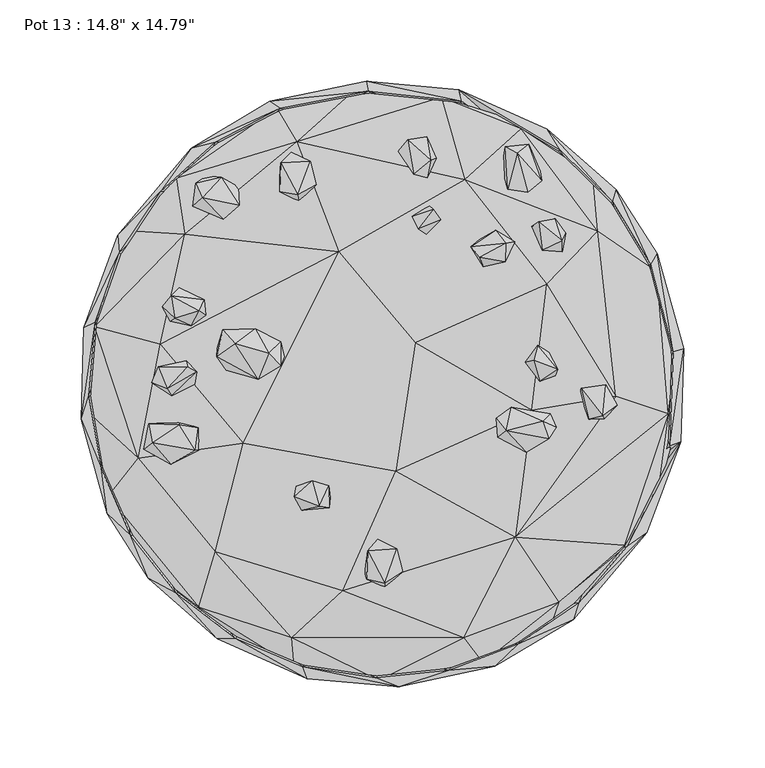
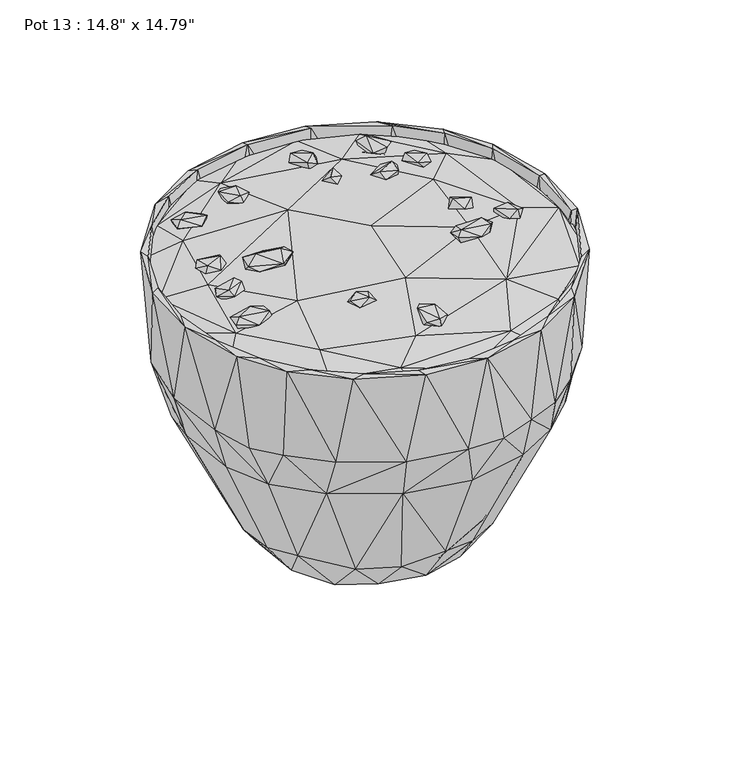
"""IFC4 building model written with IfcOpenShell, lengths in millimetres: furniture geometry."""

from ifc_helpers import new_model, si_unit, origin, place, context, project, spatial, triangles, source, transform, mapped, element, save


def furniture_42a8c2c0(model_context):
    return source(origin(), model_context, "Body", "Tessellation", [
        triangles([(-10.9198095, -116.5695744, 286.3160447), (1.5845299, -125.3364357, 285.3238632), (-9.5656509, -120.4591717, 290.5728161), (-2.7124883, -99.5087063, 285.6736238), (1.951456, -118.5737853, 282.7650259), (-8.8979602, -102.9090892, 294.3962746), (1.6335248, -122.9551131, 292.1563313), (12.5749115, -115.8503868, 288.317703), (8.939624, -101.5497427, 291.6235877), (-2.6825667, -95.8266817, 292.5227334), (-44.2969192, -62.8733016, 289.1665611), (-53.0971269, -63.1692093, 292.3950522), (-43.1162727, -59.6354315, 296.9590178), (-33.0306896, -62.8525634, 296.1117404), (-49.6416692, -77.9651993, 294.0320708), (-32.1159948, -70.0370086, 290.7316908), (-147.198437, -40.3267127, 287.849345), (-141.9966561, -36.1703031, 291.8069886), (-144.0412079, -24.5591114, 285.1305611), (-145.0178652, -40.6502486, 282.1654623), (-130.6601206, -49.661549, 287.3215974), (-141.5601366, -31.9223997, 279.1629747), (-118.4929581, -37.4378561, 281.0926171), (-113.3142135, -40.9686885, 286.0771784), (-115.5062309, -41.0372935, 291.8656514), (-125.7415436, -22.9180756, 281.7194139), (-113.6390574, -27.0460554, 287.7078565), (-125.2958223, -25.0622625, 290.2286692), (73.4080056, -33.2283974, 289.9835352), (88.6663176, -42.1149439, 296.5447263), (71.2214113, -32.9329371, 295.691944), (101.0787503, -33.9087837, 291.4119909), (83.7879816, -23.3757489, 287.067525), (80.0237673, -16.9060232, 289.1170002), (70.3940998, -21.255702, 294.3137215), (103.6162953, -18.3126926, 293.4131042), (79.469259, -14.4424733, 294.1792638), (127.3514018, -21.8960041, 288.9974944), (122.7435435, -2.5359391, 289.5924435), (121.7452305, -5.6619046, 283.5526777), (136.8725321, -21.390439, 285.7501817), (136.1787336, -19.5275553, 294.0283101), (134.7986489, -2.6710034, 282.4521635), (144.9974177, -12.9846033, 287.7494419), (137.8301953, -0.3899038, 288.7825911), (-142.32606, 0.601083, 290.2224741), (-135.7226386, 0.957191, 284.7582727), (-129.9098757, -7.2629151, 290.8336832), (-137.9093238, 9.7437503, 285.7110126), (-132.7015203, -3.0339658, 295.4481907), (-138.3713505, 10.6792752, 291.3671353), (-121.1251012, 14.2135027, 287.7357073), (-115.8899102, -0.156343, 288.7424772), (-114.6138889, 7.5059832, 292.2528916), (-120.0277209, 10.5352695, 295.6224352), (102.6129136, 19.5730626, 289.8276399), (95.959904, 23.9425293, 293.9003019), (108.168779, 9.1507734, 298.6995366), (106.8094961, 4.9601198, 291.0661363), (88.2242297, 13.4166774, 291.297354), (-83.444952, 24.5868872, 289.464181), (-72.6758238, 7.0874694, 294.0359768), (-102.0011868, 22.1376113, 290.9544788), (-60.5593304, 16.7155268, 295.166322), (-98.4264595, 33.5132478, 295.0921442), (-78.5458688, 34.1821614, 294.5623981), (-135.7146812, 47.5544057, 288.2561697), (-130.9562962, 38.7036786, 286.7407462), (-128.1560674, 40.6892905, 292.6844968), (-128.8927775, 51.5484796, 282.1083618), (-130.404295, 54.3962437, 291.3054749), (-117.8033381, 35.9314982, 287.3029757), (-109.0775717, 42.3660868, 287.5045622), (-112.8607982, 45.2983524, 294.3811047), (-113.5719376, 53.5169414, 284.804945), (-109.9307536, 52.0695734, 290.2153706), (-125.4374379, 59.2537824, 286.5133073), (27.0442363, 92.4720173, 289.690112), (18.51064, 103.5952846, 289.4911779), (29.0113083, 110.1269898, 285.8562435), (35.9581113, 101.2613155, 290.0875259), (22.2917194, 95.703061, 296.381237), (59.9526178, 88.9104433, 289.3196404), (62.1551859, 72.3496218, 293.9896315), (54.4653528, 84.7175306, 294.767164), (76.6057983, 77.718512, 291.652147), (69.9242929, 94.8135532, 293.6904129), (81.5830199, 87.8879312, 293.1702411), (104.1262115, 82.2747655, 286.1201991), (113.2399993, 92.8778519, 286.899621), (110.9588704, 81.4844794, 289.8548003), (98.8414868, 82.6090111, 292.3670198), (92.126844, 97.4440703, 287.6819315), (99.0033138, 99.7970062, 283.3507097), (110.9575623, 88.2788866, 294.3079442), (106.7851789, 101.8554017, 290.5432031), (-98.3211425, 101.5249804, 285.5431994), (-116.9485484, 109.8004472, 284.2341042), (-114.2346243, 117.2437066, 277.5700669), (-90.9138366, 109.4245163, 279.9037907), (-88.2216681, 110.270513, 287.5190962), (-111.0750424, 114.824432, 288.3560909), (31.4307214, 107.7164266, 295.8014032), (96.4660686, 100.1701757, 292.9942526), (-115.0252828, 123.9758992, 284.0682531), (-108.3552866, 128.4811021, 279.3518259), (-99.5319516, 127.6256129, 284.0076645), (-88.7824896, 121.6382694, 283.0818307), (-63.8904588, 121.2958121, 282.1077441), (-50.7014974, 118.6851157, 280.8758971), (-51.5105141, 112.7660093, 284.965691), (-55.3881526, 137.7945507, 278.3188584), (-63.1675742, 118.6102293, 287.3369126), (-62.713623, 136.5682356, 286.7299547), (-52.3130314, 116.7719966, 290.9373651), (-40.848674, 122.8790094, 286.9129741), (-44.6467388, 137.4901361, 286.056195), (77.2972713, 120.2601195, 286.8462267), (83.3417788, 142.4479639, 289.0129731), (75.8451207, 146.4348572, 284.0073738), (87.6208508, 119.2206753, 282.100677), (89.7084505, 118.4056724, 289.7887251), (73.5847345, 133.4589232, 280.9752551), (97.4988362, 131.203574, 283.283926), (82.1931389, 144.701451, 278.5956038), (98.3684052, 125.5191735, 288.3763295), (-56.191324, 143.063951, 283.9810491), (21.2160356, 129.0606724, 284.9006332), (9.8546151, 143.6980511, 286.6390991), (17.0579557, 149.4622251, 281.6533751), (27.7710565, 127.1983406, 289.3846619), (19.3616157, 129.5274953, 292.061715), (33.3888527, 139.2392481, 286.9172071), (29.7760372, 138.0672448, 293.2591165), (90.4159564, 147.8171674, 283.7207634), (15.6966448, 150.8437269, 289.9490351), (27.530671, 152.5563495, 287.9408365), (-54.4480664, -69.7455702, 297.3835559), (-38.9915699, -75.5268943, 299.5533907), (-32.9050432, -76.2969872, 294.8954992), (102.77772, -33.668966, 299.7226755), (76.4234057, -28.7760801, 299.6494786), (98.8886315, -23.1176024, 300.5647571), (107.383489, -26.6440813, 295.0933069), (-76.4529733, 2.9126106, 299.1780684), (-102.2613635, 16.7262251, 296.9759681), (-96.3987126, 8.4346829, 295.0342807), (-70.0836764, 18.958211, 303.3792655), (-90.6540142, 24.7464183, 301.2405334), (-62.6562818, 11.3245552, 301.3651988), (97.246526, 1.5418231, 294.986809), (93.5237972, 14.7336131, 298.7832343), (-62.7156487, 26.0815612, 297.5492798), (59.9933857, 78.350332, 299.7397711), (75.9707671, 75.3134489, 297.5017354), (76.1618619, 86.8967944, 299.3137615)], [[1, 2, 3], [1, 4, 5], [1, 5, 2], [1, 6, 4], [1, 3, 6], [2, 7, 3], [2, 8, 7], [2, 5, 8], [5, 4, 9], [5, 9, 8], [8, 9, 7], [4, 10, 9], [4, 6, 10], [11, 12, 13], [11, 13, 14], [11, 15, 12], [11, 16, 15], [11, 14, 16], [17, 18, 19], [17, 19, 20], [17, 20, 21], [17, 21, 18], [20, 19, 22], [20, 22, 23], [20, 23, 21], [21, 23, 24], [21, 25, 18], [21, 24, 25], [24, 26, 27], [24, 27, 25], [24, 23, 26], [19, 28, 26], [19, 18, 28], [19, 26, 22], [22, 26, 23], [28, 27, 26], [28, 25, 27], [28, 18, 25], [29, 30, 31], [29, 32, 30], [29, 33, 32], [29, 34, 33], [29, 35, 34], [29, 31, 35], [33, 34, 36], [33, 36, 32], [34, 35, 37], [34, 37, 36], [38, 39, 40], [38, 41, 42], [38, 40, 41], [38, 42, 39], [41, 40, 43], [41, 43, 44], [41, 44, 42], [44, 45, 42], [44, 43, 45], [46, 47, 48], [46, 49, 47], [46, 48, 50], [46, 50, 51], [46, 51, 49], [47, 49, 52], [47, 52, 53], [47, 53, 48], [53, 54, 48], [53, 52, 54], [40, 39, 43], [39, 45, 43], [39, 42, 45], [49, 51, 52], [52, 51, 55], [52, 55, 54], [56, 57, 58], [56, 58, 59], [56, 59, 60], [56, 60, 57], [61, 62, 63], [61, 64, 62], [61, 63, 65], [61, 65, 66], [61, 66, 64], [67, 68, 69], [67, 70, 68], [67, 69, 71], [67, 71, 70], [68, 72, 69], [68, 70, 72], [72, 73, 74], [72, 70, 75], [72, 75, 73], [72, 74, 69], [73, 76, 74], [73, 75, 76], [70, 77, 75], [70, 71, 77], [77, 76, 75], [77, 71, 76], [76, 71, 74], [78, 79, 80], [78, 80, 81], [78, 81, 82], [78, 82, 79], [83, 84, 85], [83, 86, 84], [83, 85, 87], [83, 88, 86], [83, 87, 88], [89, 90, 91], [89, 92, 93], [89, 93, 94], [89, 91, 92], [89, 94, 90], [91, 90, 95], [91, 95, 92], [90, 94, 96], [90, 96, 95], [97, 98, 99], [97, 99, 100], [97, 100, 101], [97, 102, 98], [97, 101, 102], [79, 103, 80], [79, 82, 103], [81, 103, 82], [81, 80, 103], [93, 92, 104], [93, 104, 96], [93, 96, 94], [98, 102, 105], [98, 105, 99], [99, 105, 106], [99, 106, 100], [102, 107, 105], [102, 101, 107], [100, 108, 101], [100, 106, 108], [108, 107, 101], [108, 106, 107], [109, 110, 111], [109, 112, 110], [109, 111, 113], [109, 114, 112], [109, 113, 114], [113, 111, 115], [113, 115, 114], [111, 110, 116], [111, 116, 115], [110, 112, 117], [110, 117, 116], [116, 117, 115], [118, 119, 120], [118, 121, 122], [118, 123, 121], [118, 120, 123], [118, 122, 119], [121, 124, 122], [121, 123, 125], [121, 125, 124], [122, 124, 126], [122, 126, 119], [105, 107, 106], [114, 117, 127], [114, 115, 117], [114, 127, 112], [112, 127, 117], [128, 129, 130], [128, 131, 132], [128, 133, 131], [128, 132, 129], [128, 130, 133], [131, 134, 132], [131, 133, 134], [123, 120, 125], [124, 135, 126], [124, 125, 135], [126, 135, 119], [129, 132, 136], [129, 136, 130], [136, 132, 134], [136, 134, 137], [136, 137, 130], [130, 137, 133], [137, 134, 133], [120, 135, 125], [120, 119, 135], [3, 7, 6], [7, 9, 6], [6, 9, 10], [138, 12, 15], [138, 15, 139], [138, 139, 13], [138, 13, 12], [15, 140, 139], [15, 16, 140], [139, 140, 14], [139, 14, 13], [140, 16, 14], [30, 32, 141], [30, 142, 31], [30, 141, 142], [31, 142, 35], [142, 141, 143], [142, 143, 37], [142, 37, 35], [143, 141, 144], [143, 36, 37], [143, 144, 36], [32, 36, 144], [32, 144, 141], [50, 48, 54], [50, 54, 55], [50, 55, 51], [145, 146, 147], [145, 148, 149], [145, 150, 148], [145, 149, 146], [145, 147, 62], [145, 62, 150], [151, 152, 60], [151, 59, 58], [151, 58, 152], [151, 60, 59], [146, 149, 65], [146, 63, 147], [146, 65, 63], [147, 63, 62], [62, 64, 150], [148, 150, 153], [148, 66, 149], [148, 153, 66], [150, 64, 153], [64, 66, 153], [60, 152, 57], [152, 58, 57], [65, 149, 66], [69, 74, 71], [154, 155, 156], [154, 84, 155], [154, 156, 85], [154, 85, 84], [84, 86, 155], [155, 88, 156], [155, 86, 88], [85, 156, 87], [156, 88, 87], [92, 95, 104], [95, 96, 104]]),
        triangles([(-55.892287, -156.749244, 282.8167125), (-54.46315, -174.5170366, 278.5051842), (-2.2969842, -182.7495465, 278.4962276), (50.1603467, -156.6068471, 283.2875776), (-24.3473647, -127.7601432, 286.7870007), (-113.270875, -137.8652131, 280.221522), (-103.0142336, -103.398685, 285.55975), (-103.0090467, -150.949598, 275.8465711), (-38.0250205, -175.3888221, 273.9616389), (25.5538227, -173.5501807, 273.2072155), (-56.4932223, -141.8940461, 269.676508), (61.915157, -171.9772571, 278.6587722), (89.5991367, -154.3996054, 273.8813385), (26.859105, -123.4162132, 267.3951066), (108.9615813, -134.6428353, 281.549566), (81.9311182, -94.5213744, 286.9509078), (102.7492243, -152.3220524, 277.181773), (115.348755, -110.1996871, 270.431749), (149.651703, -101.0983621, 275.0957993), (-142.9010068, -115.3802302, 276.4836506), (-150.5857394, -45.6988231, 284.047088), (-169.2805285, -69.3160588, 278.2797438), (-114.5774086, -102.0377852, 269.8650684), (-59.3924503, -83.8222546, 265.9183798), (8.2044008, -53.9447678, 289.9653314), (-85.703853, -36.4517857, 288.7515065), (8.3544257, -49.7270519, 264.2823787), (93.5007972, -72.4893798, 266.7365893), (149.1854161, -99.4314217, 280.4436015), (-166.3872276, -65.6237606, 273.8204956), (-174.4116833, -17.7610219, 273.0928329), (-93.6140443, -18.6589958, 265.7466243), (176.3777697, -18.2889102, 280.5974257), (92.3194921, -16.2025096, 288.8859459), (144.0008851, -7.6182782, 285.5495217), (149.5209334, -32.3975978, 269.6968919), (169.3655887, -71.2028168, 277.181773), (179.8696532, -31.4174887, 275.5126343), (-182.7566318, -16.5289046, 278.0008545), (73.0407815, 2.4082066, 264.8926612), (-137.1575892, 24.374843, 286.0801579), (-177.4315753, 35.295486, 279.2783747), (20.3951009, 25.3487525, 290.3091331), (-26.854218, 81.5720286, 289.081846), (-34.5174084, 54.8049669, 264.6984688), (137.1101175, 39.4512393, 268.5416027), (181.0451084, 16.2884896, 275.329506), (-168.1409723, 56.4016263, 273.7902467), (-134.0204442, 43.8220481, 268.4104152), (101.5553473, 61.5526155, 287.6672158), (132.9673562, 94.2391424, 283.2951898), (169.3248209, 69.3079243, 278.2276212), (-121.8475135, 92.4272254, 284.555905), (50.9681099, 126.0752805, 286.3184791), (38.956879, 85.0439642, 265.6281359), (166.1513409, 65.5422657, 273.7621416), (-156.6280668, 94.6707385, 277.8997343), (-123.7438276, 127.9855109, 273.62465), (-101.3527525, 105.0301897, 268.8038142), (-23.984612, 154.5664012, 270.2320882), (105.0292814, 101.3530795, 268.8038142), (-52.8244964, 149.4836173, 283.9418982), (63.8524888, 142.9361881, 270.1301322), (128.9239529, 124.5868358, 273.9198173), (129.9395523, 128.4367552, 278.5789443), (-127.1285411, 126.8189579, 280.3775445), (-100.8506392, 153.5704046, 277.181773), (-65.3566121, 165.6250103, 273.6314265), (85.6324457, 157.5209992, 280.6563611), (-65.140487, 170.2866989, 279.1480047), (36.3897074, 176.9487014, 279.6875612), (-16.4887306, 182.1585215, 277.686902), (38.083731, 175.6228013, 274.0179036), (87.7180106, 161.008577, 276.2520696)], [[1, 2, 3], [1, 3, 4], [1, 4, 5], [1, 6, 2], [1, 5, 7], [1, 7, 6], [2, 8, 9], [2, 6, 8], [2, 9, 3], [9, 10, 3], [9, 8, 11], [9, 11, 10], [3, 10, 12], [3, 12, 4], [10, 13, 12], [10, 11, 14], [10, 14, 13], [4, 12, 15], [4, 15, 16], [4, 16, 5], [12, 13, 17], [12, 17, 15], [13, 14, 18], [13, 18, 19], [13, 19, 17], [6, 20, 8], [6, 7, 21], [6, 22, 20], [6, 21, 22], [8, 20, 23], [8, 23, 11], [11, 23, 24], [11, 24, 14], [5, 16, 25], [5, 26, 7], [5, 25, 26], [14, 24, 27], [14, 28, 18], [14, 27, 28], [17, 19, 15], [15, 29, 16], [15, 19, 29], [20, 22, 30], [20, 30, 23], [23, 30, 31], [23, 31, 32], [23, 32, 24], [7, 26, 21], [16, 29, 33], [16, 34, 25], [16, 35, 34], [16, 33, 35], [18, 28, 36], [18, 36, 19], [29, 37, 33], [29, 19, 37], [19, 36, 38], [19, 38, 37], [22, 21, 39], [22, 39, 30], [30, 39, 31], [24, 32, 27], [28, 27, 40], [28, 40, 36], [37, 38, 33], [21, 26, 41], [21, 41, 42], [21, 42, 39], [26, 25, 43], [26, 43, 44], [26, 44, 41], [25, 34, 43], [27, 32, 45], [27, 45, 40], [36, 40, 46], [36, 47, 38], [36, 46, 47], [38, 47, 33], [39, 42, 31], [31, 42, 48], [31, 48, 49], [31, 49, 32], [32, 49, 45], [34, 35, 50], [34, 50, 43], [35, 33, 51], [35, 51, 50], [33, 47, 52], [33, 52, 51], [41, 44, 53], [41, 53, 42], [43, 50, 54], [43, 54, 44], [40, 45, 55], [40, 55, 46], [47, 56, 52], [47, 46, 56], [42, 57, 48], [42, 53, 57], [48, 57, 58], [48, 58, 49], [49, 59, 45], [49, 58, 59], [45, 59, 60], [45, 60, 55], [46, 55, 61], [46, 61, 56], [44, 62, 53], [44, 54, 62], [55, 63, 61], [55, 60, 63], [50, 51, 54], [56, 61, 64], [56, 64, 52], [52, 64, 65], [52, 65, 51], [57, 66, 67], [57, 67, 58], [57, 53, 66], [53, 62, 66], [59, 58, 68], [59, 68, 60], [61, 63, 64], [51, 65, 69], [51, 69, 54], [66, 62, 70], [66, 70, 67], [58, 67, 68], [62, 54, 71], [62, 72, 70], [62, 71, 72], [54, 69, 71], [63, 60, 73], [63, 73, 74], [63, 74, 64], [64, 74, 65], [65, 74, 69], [67, 70, 68], [68, 70, 72], [68, 72, 60], [60, 72, 73], [72, 71, 73], [71, 69, 74], [71, 74, 73]]),
        triangles([(-110.6477974, -143.8040766, 198.2307236), (-144.3805949, -119.9175078, 287.8247462), (-142.7241825, -111.7326603, 197.0755979), (-83.0292071, -147.7774351, 183.340735), (-117.1711729, -122.4871002, 183.3427516), (-90.897504, -156.8282181, 289.061662), (-49.0424644, -174.5064268, 289.0613713), (60.9413383, -158.1713592, 183.3428424), (41.0959109, -176.5461279, 289.0612259), (83.7104337, -160.7793032, 289.0612441), (98.3610111, -138.0475149, 183.3426425), (94.6563498, -154.3521519, 193.7577045), (120.4745777, -135.4254456, 197.0757614), (117.968081, -145.390417, 287.8250732), (69.4430451, -174.36859, 287.8263631), (121.0638858, -134.9108241, 289.0612259), (133.8458636, -103.3301663, 183.3415707), (150.4690041, -101.3973355, 198.2295791), (-169.6660791, -80.2524053, 287.8265993), (-159.9917423, -84.7775015, 193.7558151), (-143.9513605, -89.5001602, 183.3426789), (-127.0442621, -129.2954964, 289.061662), (150.8099989, -100.5667176, 289.0613713), (184.0782808, -35.5441876, 287.8502352), (160.7187328, -53.8655529, 183.3418795), (170.8143375, -60.6354477, 197.077996), (163.2147469, -91.7352436, 287.824401), (-173.8342295, -51.3450809, 197.0788136), (-161.6868423, -50.889372, 183.3433511), (-155.2065329, -93.6409867, 289.061662), (-185.9651206, -21.7177877, 287.8245645), (-180.493089, 5.9240462, 196.9398322), (-169.2628515, -9.0797839, 183.3428061), (-173.6180726, -52.1005081, 289.061662), (177.2413798, -37.9879179, 289.0614258), (169.0656615, -12.2049452, 183.3437871), (179.2670556, -25.4531793, 193.7606295), (181.1415596, 6.5012872, 197.0806485), (-184.4314024, 34.8075933, 287.8244737), (-170.815264, 60.6363561, 197.0785774), (-166.2037359, 33.2990894, 183.34475), (-181.1204853, -7.2856546, 289.0616075), (179.6130555, 19.997746, 289.061662), (166.789238, 30.2233096, 183.341716), (173.8331394, 51.3464071, 197.078541), (185.9643394, 21.7182942, 287.8245645), (-152.7008174, 73.5857473, 183.342588), (-177.2423063, 37.988036, 289.0614258), (165.7188455, 73.4496546, 289.0616983), (154.0332942, 70.752708, 183.3433874), (-163.2155099, 91.7363882, 287.824401), (-144.411952, 108.6932292, 196.9038606), (142.2459505, 112.3554148, 289.0617528), (131.5984172, 106.8366656, 183.3426425), (155.6012036, 92.9656282, 197.073109), (169.6653887, 80.2533136, 287.8265993), (-119.8402687, 119.2920826, 183.3416433), (-162.2269074, 80.8712719, 289.0614803), (117.2669519, 137.3959376, 195.9139319), (144.3797955, 119.9184252, 287.8248007), (-117.9683807, 145.3918522, 287.8251459), (-102.5498542, 149.4595999, 197.074308), (-137.0177903, 118.6757685, 289.0612441), (-103.2015677, 149.0211001, 289.0612441), (-80.2848978, 149.287481, 183.342043), (109.8373545, 144.1991198, 289.061662), (94.7223342, 140.0707108, 183.3410075), (-69.4439398, 174.3695347, 287.8263631), (-74.5652933, 164.9996851, 193.7565781), (-40.6370181, 164.5631747, 183.3419885), (-62.9001259, 170.0042489, 289.0612259), (49.0419284, 174.5072625, 289.0613713), (43.6682103, 163.7847339, 183.342479), (47.0325943, 181.4841077, 287.8502352), (75.3521911, 163.6570164, 191.7264695), (101.8019892, 157.1339952, 287.8245645), (-40.3296332, 176.7151764, 197.0789771), (1.5651584, 169.4992106, 183.3431331), (-8.6805226, 180.5150717, 289.0613349), (-9.9982621, 186.9619347, 287.8243647), (17.2445779, 179.7652446, 196.9412493), (-46.3208554, -181.880686, 287.8243102), (9.9973674, -186.96099, 287.8242738), (-4.101336, -181.2197343, 289.0613349), (-101.8025252, -157.133105, 287.8245645), (-51.213203, -76.6592652, 23.4923592), (-12.8956439, -79.820037, 14.5094194), (-58.9775456, -34.1338222, 10.9402933), (-81.8102953, -42.5035375, 23.4923592), (-7.2931646, -101.0723099, 33.4042156), (-60.0263461, -99.4428673, 59.0025759), (-24.4606731, -116.6202163, 63.4428708), (-40.2032146, -92.3388041, 18.8041892), (-30.4179789, -113.9267942, 45.7465627), (-65.3127421, -97.1733928, 44.803002), (-65.9998641, -64.3694403, 9.8291727), (3.8937329, -95.39881, 13.6630423), (-18.7450052, -72.8029599, 1.5581483), (42.7408822, -84.3828581, 12.3438834), (-71.3528985, -15.6721175, 0.4078514), (55.8481808, -45.7117265, 0.3881544), (21.4062334, -86.6590455, 20.1390846), (33.2555169, -59.1308475, 10.6879752), (7.8962443, -121.0915731, 52.4215277), (40.3211126, -110.7684659, 45.0713768), (54.4216055, -101.756843, 55.9143605), (58.539986, -70.885031, 23.2321734), (23.4093065, -116.1155959, 62.161649), (75.6090295, -57.3479258, 13.0229708), (66.6028251, -97.2598519, 45.0712723), (-102.3693056, -65.4990089, 52.7240392), (-89.1414884, -32.3169523, 12.9958932), (75.4134065, -35.9416016, 16.3799322), (-0.9814501, -16.3940189, 13.9920318), (63.89129, 17.462313, 10.7219427), (8.7539556, 15.8224706, 5.4539855), (93.6839619, -14.6239404, 12.996327), (72.3398931, 16.8010889, 0.4604854), (86.7269011, -74.4263528, 55.4998554), (114.0390058, -28.4717973, 45.2351431), (90.132598, -76.0321596, 45.7485702), (-93.6848521, 14.6250725, 12.9964371), (-113.0819875, -33.2880027, 45.0712723), (-117.5377929, -0.7818043, 45.2350296), (-92.1674937, 2.1676123, 23.4924137), (-96.0733872, -68.4553964, 61.161542), (-110.0782192, -42.4085261, 61.1569865), (-44.4932598, 55.8705314, 0.418324), (25.9853007, 69.7057834, 0.4618962), (-60.0982893, 37.3147123, 11.0109956), (113.6768458, -31.5981508, 61.6828901), (90.9451846, 6.5083804, 22.0676074), (88.8457307, 24.6123967, 9.8289013), (117.8072714, 4.1195154, 45.0716493), (-117.1649687, -13.6990843, 61.153462), (-117.3757934, 20.2692751, 63.5490098), (-68.9277059, 55.4308008, 19.3585295), (-97.1039566, 37.9599627, 37.8244377), (76.5601979, 49.517885, 22.0678777), (112.7918344, 20.167142, 56.0754108), (-106.2103503, 51.229581, 45.7490562), (-76.4266849, 57.2845348, 13.6443763), (-24.8406531, 72.3160665, 13.1500513), (41.9528489, 72.1507968, 16.5778251), (71.9791639, 61.4573361, 12.7401574), (112.4909534, 35.3618859, 45.7471577), (-61.7326509, 100.2962399, 45.4860499), (-32.1530701, 87.2838166, 11.5600173), (-88.6992189, 77.6425627, 45.0729574), (-42.8550831, 86.659536, 28.0378189), (-93.486245, 66.580311, 55.3192705), (35.652936, 85.3089553, 10.7130986), (85.1465469, 81.0303556, 45.2364467), (97.8489511, 61.3541765, 56.0832773), (76.0341308, 90.1915878, 61.1569865), (3.3497811, 90.3767964, 21.3237302), (-4.1882397, 115.5837788, 56.906978), (-54.1108232, 100.8927697, 55.9145785), (3.2847525, 117.834241, 45.0712723), (27.805686, 109.3805147, 37.6239412), (-26.1225107, 114.9498332, 45.0724669), (36.1404426, 109.4185574, 56.9714907), (59.6461276, 101.6770605, 45.0734479), (-56.2466985, -161.221064, 157.630422), (5.6335928, -169.6222046, 154.7287641), (60.9129653, -158.8740961, 154.7269292), (48.0625641, -149.6335264, 143.0249999), (89.2924058, -129.5701253, 142.5158377), (-111.6433126, -129.1949756, 157.6277696), (98.5100299, -138.7340736, 154.72702), (118.7069984, -103.2939585, 142.5086888), (140.2654663, -70.0987282, 141.2845811), (148.1964593, -89.9803907, 163.5154552), (129.9163706, -109.8769324, 154.7258391), (-144.6470939, -89.6035151, 154.7268202), (-162.3867087, -50.8162978, 154.7276922), (-170.7272607, 1.5062093, 157.8567708), (163.0619219, -47.0587328, 154.7306172), (-156.7329114, 50.6651987, 143.2834416), (169.9226586, 8.8389516, 154.7294181), (-140.2668652, 70.1001588, 141.2865341), (143.8384041, 89.0227002, 152.5987887), (162.3859457, 50.8175195, 154.7277831), (156.6664002, -16.8768167, 143.6219384), (152.187404, 34.2556534, 140.0832827), (137.3758898, 75.1726327, 141.2412789), (-135.9513674, 103.3105, 157.6277696), (-118.7072982, 103.2951939, 142.5081983), (118.931476, 100.2952589, 139.1828653), (-98.5098483, 138.7351182, 154.7257846), (-47.6395476, 162.892946, 154.7274742), (112.0055361, 127.5070609, 154.7266748), (-35.3289845, 153.3428385, 142.5206793), (-83.7653267, 132.9793468, 143.0190228), (12.2233035, 170.2959462, 157.857007), (7.0604679, 157.4402628, 143.7262743), (64.3537027, 157.5152946, 154.7323613), (61.1324922, 144.4111799, 141.3042383), (-61.1338003, -144.4095357, 141.3031937), (-7.0617198, -157.4389911, 143.7256203), (-95.6984737, -124.9377137, 142.5591399), (-137.3770525, -75.1720967, 141.242923), (-122.6909758, -102.1333644, 148.138505), (-152.1882124, -34.2544907, 140.0831192), (-156.6669271, 16.8783666, 143.6215478), (95.696448, 124.938722, 142.5575321), (-43.6687462, -163.7836438, 183.3411165), (5.6997537, -168.9954987, 183.342588), (-4.8858522, -181.1918654, 197.0788499), (-58.7413909, -170.9329712, 196.9013716), (31.1884283, -178.3588443, 193.761992), (62.1573933, -170.266751, 197.0771785)], [[1, 2, 3], [4, 5, 6], [4, 6, 7], [8, 9, 10], [8, 10, 11], [12, 13, 14], [12, 14, 15], [11, 10, 16], [11, 16, 17], [13, 18, 14], [3, 2, 19], [3, 19, 20], [5, 21, 22], [5, 22, 6], [17, 16, 23], [17, 23, 24], [17, 24, 25], [18, 26, 27], [18, 27, 14], [20, 19, 28], [21, 29, 30], [21, 30, 22], [28, 19, 31], [28, 31, 32], [29, 33, 34], [29, 34, 30], [25, 35, 36], [25, 24, 35], [26, 37, 24], [26, 24, 27], [37, 38, 24], [32, 31, 39], [32, 39, 40], [33, 41, 42], [33, 42, 34], [36, 35, 43], [36, 43, 44], [38, 45, 46], [38, 46, 24], [41, 47, 48], [41, 48, 42], [44, 43, 49], [44, 49, 50], [40, 39, 51], [40, 51, 52], [50, 49, 53], [50, 53, 54], [45, 55, 56], [45, 56, 46], [47, 57, 58], [47, 58, 48], [55, 59, 60], [55, 60, 56], [52, 51, 61], [52, 61, 62], [57, 63, 58], [57, 64, 63], [57, 65, 64], [54, 53, 66], [54, 66, 67], [62, 61, 68], [62, 68, 69], [65, 70, 71], [65, 71, 64], [67, 72, 73], [67, 66, 74], [67, 74, 72], [59, 75, 76], [59, 76, 60], [69, 68, 77], [70, 78, 79], [70, 79, 71], [77, 68, 80], [77, 80, 81], [78, 73, 79], [81, 80, 74], [81, 74, 75], [73, 72, 79], [75, 74, 76], [7, 82, 83], [7, 83, 84], [7, 6, 82], [82, 6, 85], [84, 83, 9], [83, 15, 9], [9, 15, 10], [15, 14, 10], [10, 14, 16], [85, 6, 22], [85, 22, 2], [14, 27, 16], [16, 27, 23], [2, 22, 30], [2, 30, 19], [19, 30, 34], [19, 34, 31], [23, 27, 24], [34, 42, 31], [31, 42, 48], [31, 48, 39], [35, 24, 46], [35, 46, 43], [39, 48, 58], [39, 58, 51], [43, 46, 56], [43, 56, 49], [51, 58, 63], [51, 63, 61], [49, 56, 60], [49, 60, 53], [63, 64, 61], [53, 60, 76], [53, 76, 66], [61, 64, 71], [61, 71, 68], [76, 74, 66], [68, 71, 79], [68, 79, 80], [80, 79, 72], [80, 72, 74], [86, 87, 88], [86, 88, 89], [86, 90, 87], [86, 89, 91], [86, 91, 92], [86, 92, 90], [93, 94, 95], [93, 95, 96], [93, 97, 94], [93, 98, 97], [93, 96, 98], [98, 99, 97], [98, 96, 100], [98, 101, 99], [98, 100, 101], [87, 102, 103], [87, 103, 88], [87, 90, 102], [97, 104, 94], [97, 105, 104], [97, 99, 105], [102, 106, 107], [102, 108, 106], [102, 90, 108], [102, 107, 103], [99, 101, 109], [99, 110, 105], [99, 109, 110], [96, 95, 111], [96, 111, 112], [96, 112, 100], [103, 107, 113], [103, 114, 88], [103, 113, 115], [103, 115, 114], [101, 100, 116], [101, 117, 109], [101, 116, 118], [101, 118, 117], [107, 119, 113], [107, 106, 119], [109, 117, 120], [109, 120, 121], [109, 121, 110], [112, 122, 100], [112, 111, 123], [112, 123, 124], [112, 124, 122], [89, 88, 125], [89, 126, 91], [89, 127, 126], [89, 125, 127], [100, 122, 128], [100, 128, 129], [100, 129, 116], [88, 114, 130], [88, 130, 125], [114, 115, 130], [113, 131, 132], [113, 119, 131], [113, 132, 115], [117, 118, 133], [117, 134, 120], [117, 133, 134], [125, 135, 127], [125, 136, 135], [125, 130, 137], [125, 137, 138], [125, 138, 136], [132, 139, 115], [132, 131, 140], [132, 140, 139], [122, 124, 141], [122, 141, 142], [122, 142, 128], [130, 115, 143], [130, 143, 137], [116, 129, 118], [115, 139, 144], [115, 144, 143], [118, 129, 145], [118, 145, 133], [133, 146, 134], [133, 145, 146], [142, 147, 148], [142, 149, 147], [142, 148, 128], [142, 141, 149], [137, 143, 150], [137, 151, 138], [137, 150, 151], [128, 148, 129], [129, 148, 152], [129, 152, 145], [145, 152, 153], [145, 153, 146], [139, 140, 154], [139, 155, 144], [139, 154, 155], [150, 156, 157], [150, 157, 158], [150, 143, 156], [150, 158, 151], [148, 159, 160], [148, 161, 159], [148, 160, 152], [148, 147, 161], [143, 144, 156], [156, 144, 162], [156, 162, 157], [152, 163, 153], [152, 160, 163], [144, 155, 162], [94, 104, 164], [94, 164, 95], [90, 92, 108], [104, 105, 165], [104, 165, 164], [105, 110, 166], [105, 166, 165], [106, 108, 167], [106, 167, 168], [106, 168, 119], [95, 169, 111], [95, 164, 169], [110, 121, 170], [110, 170, 166], [119, 171, 172], [119, 168, 171], [119, 172, 131], [121, 120, 173], [121, 174, 170], [121, 173, 174], [111, 169, 175], [111, 175, 176], [111, 176, 123], [123, 176, 177], [123, 177, 124], [120, 134, 178], [120, 178, 173], [124, 179, 141], [124, 177, 179], [134, 146, 180], [134, 180, 178], [138, 151, 181], [138, 181, 136], [146, 153, 182], [146, 183, 180], [146, 182, 183], [140, 131, 184], [140, 184, 185], [140, 185, 186], [140, 186, 154], [141, 179, 187], [141, 187, 149], [151, 158, 188], [151, 188, 181], [154, 189, 155], [154, 186, 189], [149, 187, 190], [149, 190, 147], [147, 190, 191], [147, 191, 161], [153, 163, 192], [153, 192, 182], [158, 157, 193], [158, 194, 188], [158, 193, 194], [161, 191, 195], [161, 195, 159], [157, 162, 196], [157, 196, 193], [159, 195, 160], [160, 197, 163], [160, 195, 197], [162, 155, 198], [162, 198, 196], [163, 197, 192], [92, 91, 199], [92, 199, 200], [92, 200, 108], [108, 200, 167], [91, 126, 201], [91, 201, 199], [126, 202, 203], [126, 127, 202], [126, 203, 201], [127, 135, 204], [127, 204, 202], [131, 172, 184], [135, 136, 204], [136, 205, 204], [136, 181, 205], [155, 206, 198], [155, 189, 206], [199, 201, 4], [199, 207, 200], [199, 4, 207], [200, 207, 208], [200, 208, 167], [167, 208, 8], [167, 8, 11], [167, 11, 168], [168, 11, 17], [168, 17, 171], [201, 203, 5], [201, 5, 4], [171, 17, 172], [202, 204, 29], [202, 21, 203], [202, 29, 21], [172, 17, 25], [172, 25, 184], [204, 205, 33], [204, 33, 29], [184, 25, 36], [184, 36, 44], [184, 44, 185], [205, 181, 41], [205, 41, 33], [185, 44, 50], [185, 50, 186], [179, 177, 40], [179, 40, 187], [181, 188, 47], [181, 47, 41], [189, 186, 54], [189, 67, 206], [189, 54, 67], [186, 50, 54], [188, 57, 47], [188, 194, 57], [206, 67, 198], [194, 193, 65], [194, 65, 57], [193, 196, 70], [193, 70, 65], [196, 198, 73], [196, 78, 70], [196, 73, 78], [198, 67, 73], [164, 165, 209], [164, 210, 169], [164, 209, 210], [165, 166, 211], [165, 211, 209], [166, 170, 212], [166, 212, 211], [170, 174, 13], [170, 12, 212], [170, 13, 12], [203, 21, 5], [169, 3, 175], [169, 210, 1], [169, 1, 3], [174, 173, 13], [175, 3, 20], [175, 20, 28], [175, 28, 176], [173, 178, 26], [173, 18, 13], [173, 26, 18], [176, 28, 32], [176, 32, 177], [178, 180, 37], [178, 37, 26], [177, 32, 40], [180, 183, 38], [180, 38, 37], [183, 182, 45], [183, 45, 38], [182, 192, 55], [182, 55, 45], [187, 40, 52], [187, 52, 62], [187, 62, 190], [192, 197, 75], [192, 75, 59], [192, 59, 55], [190, 62, 69], [190, 69, 191], [197, 195, 75], [191, 69, 77], [191, 77, 81], [191, 81, 195], [195, 81, 75], [210, 209, 82], [210, 82, 85], [210, 85, 1], [207, 4, 7], [207, 7, 84], [207, 84, 208], [209, 211, 83], [209, 83, 82], [208, 84, 9], [208, 9, 8], [211, 212, 83], [212, 12, 15], [212, 15, 83], [1, 85, 2]]),
    ])


if __name__ == "__main__":
    model = new_model("IFC4")
    model_context = context("Model", 3, world=origin())
    ifc_project = project(units=[si_unit("LENGTHUNIT", "METRE", prefix="MILLI")], contexts=[model_context])
    site = spatial("IfcSite", under=ifc_project)
    building = spatial("IfcBuilding", under=site)
    placement = place(None, origin())
    furniture_shape = furniture_42a8c2c0(model_context)
    element("IfcFurniture", 1, ObjectType="Pot 13 : 14.8\" x 14.79\"", at=placement, inside=building, context=model_context, shape_type="MappedRepresentation", body=[
        mapped(furniture_shape, transform((0.0, 0.0, 0.0), x_axis=(1.0, 0.0, 0.0), y_axis=(0.0, 1.0, 0.0), z_axis=(0.0, 0.0, 1.0))),
    ])
    save(model, "model.ifc")
